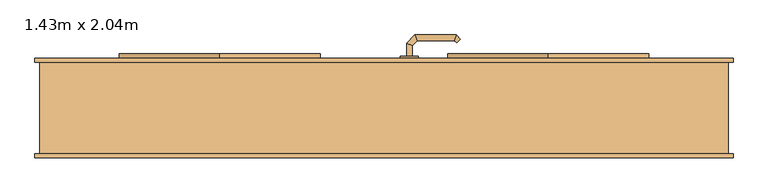
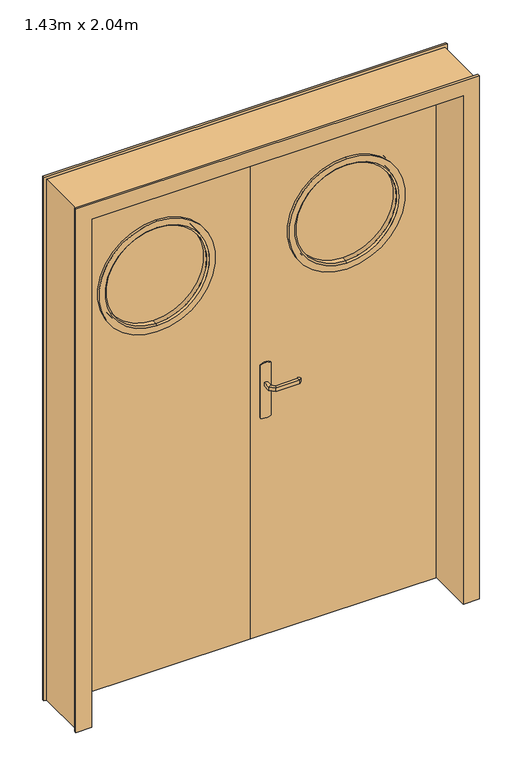
"""IFC4 building model written with IfcOpenShell, lengths in millimetres: door geometry, 1.43m x 2.04m."""

from ifc_helpers import new_model, si_unit, point, frame, frame_2d, origin, place, context, project, spatial, polyline, circle_curve, ellipse_curve, trimmed, segment, composite_curve, outline, extrude, faceted_brep, source, transform, mapped, element, save
from ifc_brep_helpers import plane_surface, cylinder_surface, revolved_surface, advanced_brep


def door_1_43m_x_2_04m_c482d7e8(model_context):
    return source(origin(), model_context, "Body", "SolidModel", [
        advanced_brep(
        [(61.0, 63.0, 993.0), (49.0, 63.0, 993.0), (49.0, 63.0, 1007.0), (61.0, 63.0, 1007.0), (61.0, 40.5147955, 1007.0), (61.0, 40.5147955, 993.0), (49.0, 35.5442327, 1007.0), (49.0, 35.5442327, 993.0), (72.4852814, 29.0295141, 1007.0), (72.4852814, 29.0295141, 993.0), (67.5147186, 17.0295141, 1007.0), (67.5147186, 17.0295141, 993.0), (152.5605023, 29.0295141, 1007.0), (152.5605023, 29.0295141, 993.0), (157.531065, 17.0295141, 1007.0), (157.531065, 17.0295141, 993.0), (157.8742108, 34.3432226, 993.0), (157.8742108, 34.3432226, 1007.0), (166.3594922, 25.8579412, 1007.0), (166.3594922, 25.8579412, 993.0)],
        [
            (0, 1, circle_curve(frame((55.0, 63.0, 1013.0457722), z_axis=(0.0, 1.0, 0.0), x_axis=(-1.0, 0.0, 0.0)), 20.9244589)),
            (1, 2),
            (2, 3, circle_curve(frame((55.0, 63.0, 986.9542278), z_axis=(0.0, 1.0, 0.0), x_axis=(-1.0, 0.0, 0.0)), 20.9244589)),
            (3, 0),
            (3, 4),
            (4, 5),
            (5, 0),
            (2, 6),
            (6, 4, ellipse_curve(frame((55.0, 38.0295141, 986.9542278), z_axis=(-0.38268343236510893, 0.9238795325112789, 0.0), x_axis=(0.9238795325112789, 0.3826834323651087, 0.0)), 22.6484711, 20.9244589)),
            (1, 7),
            (7, 6),
            (5, 7, ellipse_curve(frame((55.0, 38.0295141, 1013.0457722), z_axis=(-0.38268343236510893, 0.9238795325112789, 0.0), x_axis=(0.9238795325112789, 0.3826834323651087, 0.0)), 22.6484711, 20.9244589)),
            (4, 8),
            (8, 9),
            (9, 5),
            (6, 10),
            (10, 8, ellipse_curve(frame((70.0, 23.0295141, 986.9542278), z_axis=(-0.9238795325112946, 0.38268343236507063, 0.0), x_axis=(0.3826834323650701, 0.9238795325112948, 0.0)), 22.6484711, 20.9244589)),
            (7, 11),
            (11, 10),
            (9, 11, ellipse_curve(frame((70.0, 23.0295141, 1013.0457722), z_axis=(-0.9238795325112946, 0.38268343236507063, 0.0), x_axis=(0.3826834323650701, 0.9238795325112948, 0.0)), 22.6484711, 20.9244589)),
            (8, 12),
            (12, 13),
            (13, 9),
            (10, 14),
            (14, 12, ellipse_curve(frame((155.0457837, 23.0295141, 986.9542278), z_axis=(-0.9238795325113071, -0.38268343236504027, 0.0), x_axis=(-0.38268343236504115, 0.9238795325113068, 0.0)), 22.6484711, 20.9244589)),
            (11, 15),
            (15, 14),
            (13, 15, ellipse_curve(frame((155.0457837, 23.0295141, 1013.0457722), z_axis=(-0.9238795325113071, -0.38268343236504027, 0.0), x_axis=(-0.38268343236504115, 0.9238795325113068, 0.0)), 22.6484711, 20.9244589)),
            (16, 17),
            (17, 18, circle_curve(frame((162.1168515, 30.1005819, 986.9542278), z_axis=(0.7071067811866232, 0.7071067811864719, 0.0), x_axis=(0.7071067811864719, -0.7071067811866232, 0.0)), 20.9244589)),
            (18, 19),
            (19, 16, circle_curve(frame((162.1168515, 30.1005819, 1013.0457722), z_axis=(0.7071067811866232, 0.7071067811864719, 0.0), x_axis=(0.7071067811864719, -0.7071067811866232, 0.0)), 20.9244589)),
            (12, 17),
            (16, 13),
            (14, 18),
            (15, 19),
        ],
        [
            plane_surface(frame((45.7804555, 63.0, 1000.0), z_axis=(0.0, 1.0, 0.0), x_axis=(0.0, 0.0, 1.0))),
            plane_surface(frame((61.0, 63.0, 993.0), z_axis=(1.0, 0.0, 0.0), x_axis=(0.0, -1.0, 0.0))),
            cylinder_surface(frame((55.0, 63.0, 986.9542278), z_axis=(0.0, 1.0, 0.0), x_axis=(-1.0, 0.0, 0.0)), 20.9244589),
            plane_surface(frame((49.0, 63.0, 1007.0), z_axis=(-1.0, 0.0, 0.0), x_axis=(0.0, -1.0, 0.0))),
            cylinder_surface(frame((55.0, 63.0, 1013.0457722), z_axis=(0.0, 1.0, 0.0), x_axis=(-1.0, 0.0, 0.0)), 20.9244589),
            plane_surface(frame((61.0, 40.5147955, 993.0), z_axis=(0.7071067811865183, 0.7071067811865769, 0.0), x_axis=(0.7071067811865769, -0.7071067811865183, 0.0))),
            cylinder_surface(frame((55.0, 38.0295141, 986.9542278), z_axis=(-0.7071067811865768, 0.7071067811865183, 0.0), x_axis=(-0.7071067811865183, -0.7071067811865768, 0.0)), 20.9244589),
            plane_surface(frame((49.0, 35.5442327, 1007.0), z_axis=(-0.7071067811865185, -0.7071067811865767, 0.0), x_axis=(0.7071067811865767, -0.7071067811865185, 0.0))),
            cylinder_surface(frame((55.0, 38.0295141, 1013.0457722), z_axis=(-0.7071067811865768, 0.7071067811865183, 0.0), x_axis=(-0.7071067811865183, -0.7071067811865768, 0.0)), 20.9244589),
            plane_surface(frame((72.4852814, 29.0295141, 993.0), z_axis=(0.0, 1.0, 0.0), x_axis=(1.0, 0.0, 0.0))),
            cylinder_surface(frame((70.0, 23.0295141, 986.9542278), z_axis=(-1.0, 0.0, 0.0), x_axis=(0.0, -1.0, 0.0)), 20.9244589),
            plane_surface(frame((67.5147186, 17.0295141, 1007.0), z_axis=(0.0, -1.0, 0.0), x_axis=(1.0, 0.0, 0.0))),
            cylinder_surface(frame((70.0, 23.0295141, 1013.0457722), z_axis=(-1.0, 0.0, 0.0), x_axis=(0.0, -1.0, 0.0)), 20.9244589),
            plane_surface(frame((162.1168515, 30.1005819, 990.7804555), z_axis=(0.7071067811866233, 0.7071067811864719, 0.0), x_axis=(0.7071067811864719, -0.7071067811866233, 0.0))),
            plane_surface(frame((152.5605023, 29.0295141, 993.0), z_axis=(-0.707106781186471, 0.7071067811866241, 0.0), x_axis=(0.7071067811866241, 0.707106781186471, 0.0))),
            cylinder_surface(frame((155.0457837, 23.0295141, 986.9542278), z_axis=(-0.7071067811866232, -0.7071067811864719, 0.0), x_axis=(0.7071067811864719, -0.7071067811866232, 0.0)), 20.9244589),
            plane_surface(frame((157.531065, 17.0295141, 1007.0), z_axis=(0.7071067811864723, -0.7071067811866228, 0.0), x_axis=(0.7071067811866228, 0.7071067811864723, 0.0))),
            cylinder_surface(frame((155.0457837, 23.0295141, 1013.0457722), z_axis=(-0.7071067811866232, -0.7071067811864719, 0.0), x_axis=(0.7071067811864719, -0.7071067811866232, 0.0)), 20.9244589),
        ],
        [
            (0, [[1, 2, 3, 4]]),
            (1, [[5, 6, 7, -4]]),
            (2, [[8, 9, -5, -3]]),
            (3, [[10, 11, -8, -2]]),
            (4, [[-7, 12, -10, -1]]),
            (5, [[13, 14, 15, -6]]),
            (6, [[16, 17, -13, -9]]),
            (7, [[18, 19, -16, -11]]),
            (8, [[-15, 20, -18, -12]]),
            (9, [[21, 22, 23, -14]]),
            (10, [[24, 25, -21, -17]]),
            (11, [[26, 27, -24, -19]]),
            (12, [[-23, 28, -26, -20]]),
            (13, [[29, 30, 31, 32]]),
            (14, [[33, -29, 34, -22]]),
            (15, [[35, -30, -33, -25]]),
            (16, [[36, -31, -35, -27]]),
            (17, [[-34, -32, -36, -28]]),
        ],
    ),
        advanced_brep(
        [(49.0, 113.0, 1007.0), (49.0, 113.0, 993.0), (61.0, 113.0, 993.0), (61.0, 113.0, 1007.0), (61.0, 135.680388, 1007.0), (49.0, 140.6509507, 1007.0), (61.0, 135.680388, 993.0), (49.0, 140.6509507, 993.0), (72.3477727, 147.0281607, 1007.0), (67.37721, 159.0281607, 1007.0), (72.3477727, 147.0281607, 993.0), (67.37721, 159.0281607, 993.0), (152.5333592, 147.0281607, 1007.0), (157.503922, 159.0281607, 1007.0), (152.5333592, 147.0281607, 993.0), (157.503922, 159.0281607, 993.0), (166.3323491, 150.1997336, 1007.0), (157.8470677, 141.7144522, 1007.0), (157.8470677, 141.7144522, 993.0), (166.3323491, 150.1997336, 993.0)],
        [
            (0, 1),
            (1, 2, circle_curve(frame((55.0, 113.0, 1013.0457722), z_axis=(0.0, -1.0, 0.0), x_axis=(1.0, 0.0, 0.0)), 20.9244589)),
            (2, 3),
            (3, 0, circle_curve(frame((55.0, 113.0, 986.9542278), z_axis=(0.0, -1.0, 0.0), x_axis=(1.0, 0.0, 0.0)), 20.9244589)),
            (3, 4),
            (4, 5, ellipse_curve(frame((55.0, 138.1656693, 986.9542278), z_axis=(-0.3826834323651093, -0.9238795325112789, 0.0), x_axis=(0.9238795325112791, -0.38268343236510843, 0.0)), 22.6484711, 20.9244589)),
            (5, 0),
            (2, 6),
            (6, 4),
            (1, 7),
            (7, 6, ellipse_curve(frame((55.0, 138.1656693, 1013.0457722), z_axis=(-0.3826834323651093, -0.9238795325112789, 0.0), x_axis=(0.9238795325112791, -0.38268343236510843, 0.0)), 22.6484711, 20.9244589)),
            (5, 7),
            (4, 8),
            (8, 9, ellipse_curve(frame((69.8624914, 153.0281607, 986.9542278), z_axis=(-0.9238795325112947, -0.38268343236507024, 0.0), x_axis=(0.3826834323650698, -0.9238795325112951, 0.0)), 22.6484711, 20.9244589)),
            (9, 5),
            (6, 10),
            (10, 8),
            (7, 11),
            (11, 10, ellipse_curve(frame((69.8624914, 153.0281607, 1013.0457722), z_axis=(-0.9238795325112947, -0.38268343236507024, 0.0), x_axis=(0.3826834323650698, -0.9238795325112951, 0.0)), 22.6484711, 20.9244589)),
            (9, 11),
            (8, 12),
            (12, 13, ellipse_curve(frame((155.0186406, 153.0281607, 986.9542278), z_axis=(-0.9238795325112743, 0.3826834323651198, 0.0), x_axis=(-0.38268343236511987, -0.9238795325112744, 0.0)), 22.6484711, 20.9244589)),
            (13, 9),
            (10, 14),
            (14, 12),
            (11, 15),
            (15, 14, ellipse_curve(frame((155.0186406, 153.0281607, 1013.0457722), z_axis=(-0.9238795325112743, 0.3826834323651198, 0.0), x_axis=(-0.38268343236511987, -0.9238795325112744, 0.0)), 22.6484711, 20.9244589)),
            (13, 15),
            (16, 17, circle_curve(frame((162.0897084, 145.9570929, 986.9542278), z_axis=(0.7071067811865017, -0.7071067811865933, 0.0), x_axis=(-0.7071067811865933, -0.7071067811865017, 0.0)), 20.9244589)),
            (17, 18),
            (18, 19, circle_curve(frame((162.0897084, 145.9570929, 1013.0457722), z_axis=(0.7071067811865017, -0.7071067811865933, 0.0), x_axis=(-0.7071067811865933, -0.7071067811865017, 0.0)), 20.9244589)),
            (19, 16),
            (12, 17),
            (16, 13),
            (14, 18),
            (15, 19),
        ],
        [
            plane_surface(frame((45.7804555, 113.0, 1000.0), z_axis=(0.0, -1.0, 0.0), x_axis=(0.0, 0.0, -1.0))),
            cylinder_surface(frame((55.0, 113.0, 986.9542278), z_axis=(0.0, -1.0, 0.0), x_axis=(1.0, 0.0, 0.0)), 20.9244589),
            plane_surface(frame((61.0, 113.0, 1007.0), z_axis=(1.0, 0.0, 0.0), x_axis=(0.0, 1.0, 0.0))),
            cylinder_surface(frame((55.0, 113.0, 1013.0457722), z_axis=(0.0, -1.0, 0.0), x_axis=(1.0, 0.0, 0.0)), 20.9244589),
            plane_surface(frame((49.0, 113.0, 993.0), z_axis=(-1.0, 0.0, 0.0), x_axis=(0.0, 1.0, 0.0))),
            cylinder_surface(frame((55.0, 138.1656693, 986.9542278), z_axis=(-0.7071067811865772, -0.7071067811865177, 0.0), x_axis=(0.7071067811865177, -0.7071067811865772, 0.0)), 20.9244589),
            plane_surface(frame((61.0, 135.680388, 1007.0), z_axis=(0.7071067811865183, -0.7071067811865768, 0.0), x_axis=(0.7071067811865768, 0.7071067811865183, 0.0))),
            cylinder_surface(frame((55.0, 138.1656693, 1013.0457722), z_axis=(-0.7071067811865772, -0.7071067811865177, 0.0), x_axis=(0.7071067811865177, -0.7071067811865772, 0.0)), 20.9244589),
            plane_surface(frame((49.0, 140.6509507, 993.0), z_axis=(-0.707106781186518, 0.707106781186577, 0.0), x_axis=(0.707106781186577, 0.707106781186518, 0.0))),
            cylinder_surface(frame((69.8624914, 153.0281607, 986.9542278), z_axis=(-1.0, 0.0, 0.0), x_axis=(0.0, -1.0, 0.0)), 20.9244589),
            plane_surface(frame((72.3477727, 147.0281607, 1007.0), z_axis=(0.0, -1.0, 0.0), x_axis=(1.0, 0.0, 0.0))),
            cylinder_surface(frame((69.8624914, 153.0281607, 1013.0457722), z_axis=(-1.0, 0.0, 0.0), x_axis=(0.0, -1.0, 0.0)), 20.9244589),
            plane_surface(frame((67.37721, 159.0281607, 993.0), z_axis=(0.0, 1.0, 0.0), x_axis=(1.0, 0.0, 0.0))),
            plane_surface(frame((162.0897084, 145.9570929, 1009.2195445), z_axis=(0.7071067811865019, -0.7071067811865932, 0.0), x_axis=(0.7071067811865932, 0.7071067811865019, 0.0))),
            cylinder_surface(frame((155.0186406, 153.0281607, 986.9542278), z_axis=(-0.7071067811865017, 0.7071067811865933, 0.0), x_axis=(-0.7071067811865933, -0.7071067811865017, 0.0)), 20.9244589),
            plane_surface(frame((152.5333592, 147.0281607, 1007.0), z_axis=(-0.7071067811865936, -0.7071067811865014, 0.0), x_axis=(0.7071067811865014, -0.7071067811865936, 0.0))),
            cylinder_surface(frame((155.0186406, 153.0281607, 1013.0457722), z_axis=(-0.7071067811865017, 0.7071067811865933, 0.0), x_axis=(-0.7071067811865933, -0.7071067811865017, 0.0)), 20.9244589),
            plane_surface(frame((157.503922, 159.0281607, 993.0), z_axis=(0.707106781186593, 0.7071067811865022, 0.0), x_axis=(0.7071067811865022, -0.707106781186593, 0.0))),
        ],
        [
            (0, [[1, 2, 3, 4]]),
            (1, [[5, 6, 7, -4]]),
            (2, [[8, 9, -5, -3]]),
            (3, [[10, 11, -8, -2]]),
            (4, [[-7, 12, -10, -1]]),
            (5, [[13, 14, 15, -6]]),
            (6, [[16, 17, -13, -9]]),
            (7, [[18, 19, -16, -11]]),
            (8, [[-15, 20, -18, -12]]),
            (9, [[21, 22, 23, -14]]),
            (10, [[24, 25, -21, -17]]),
            (11, [[26, 27, -24, -19]]),
            (12, [[-23, 28, -26, -20]]),
            (13, [[29, 30, 31, 32]]),
            (14, [[33, -29, 34, -22]]),
            (15, [[35, -30, -33, -25]]),
            (16, [[36, -31, -35, -27]]),
            (17, [[-34, -32, -36, -28]]),
        ],
    ),
        extrude(outline(composite_curve([segment(trimmed(circle_curve(frame_2d((1045.3589838, 55.0)), 40.0), [point((1080.0, 75.0))], [point((1080.0, 35.0))], False, "CARTESIAN"), True, "CONTINUOUS"), segment(polyline([(1080.0, 35.0), (870.0, 35.0)]), True, "CONTINUOUS"), segment(trimmed(circle_curve(frame_2d((904.6410162, 55.0)), 40.0), [point((870.0, 35.0))], [point((870.0, 75.0))], False, "CARTESIAN"), True, "CONTINUOUS"), segment(polyline([(870.0, 75.0), (1080.0, 75.0)]), True, "CONTINUOUS")], self_intersect=False)), frame((0.0, 63.0, 0.0), z_axis=(0.0, 1.0, 0.0), x_axis=(0.0, 0.0, 1.0)), (0.0, 0.0, 1.0), 5.0),
        extrude(outline(composite_curve([segment(trimmed(circle_curve(frame_2d((904.6410162, 55.0)), 40.0), [point((870.0, 35.0))], [point((870.0, 75.0))], False, "CARTESIAN"), True, "CONTINUOUS"), segment(polyline([(870.0, 75.0), (1080.0, 75.0)]), True, "CONTINUOUS"), segment(trimmed(circle_curve(frame_2d((1045.3589838, 55.0)), 40.0), [point((1080.0, 75.0))], [point((1080.0, 35.0))], False, "CARTESIAN"), True, "CONTINUOUS"), segment(polyline([(1080.0, 35.0), (870.0, 35.0)]), True, "CONTINUOUS")], self_intersect=False)), frame((0.0, 108.0, 0.0), z_axis=(0.0, 1.0, 0.0), x_axis=(0.0, 0.0, 1.0)), (0.0, 0.0, 1.0), 5.0),
        faceted_brep([(-750.0, 100.0, 0.0), (-760.0, 100.0, 0.0), (-760.0, 108.0, 0.0), (-715.0, 108.0, 0.0), (-715.0, 68.0, 0.0), (-700.0, 68.0, 0.0), (-700.0, -108.0, 0.0), (-760.0, -108.0, 0.0), (-760.0, -100.0, 0.0), (-750.0, -100.0, 0.0), (-750.0, -100.0, 2075.0), (-750.0, 100.0, 2075.0), (-760.0, -100.0, 2085.0), (760.0, -100.0, 2085.0), (760.0, -100.0, 0.0), (750.0, -100.0, 0.0), (750.0, -100.0, 2075.0), (-760.0, -108.0, 2085.0), (-700.0, -108.0, 2025.0), (700.0, -108.0, 2025.0), (700.0, -108.0, 0.0), (760.0, -108.0, 0.0), (760.0, -108.0, 2085.0), (-700.0, 68.0, 2025.0), (-715.0, 68.0, 2040.0), (715.0, 68.0, 2040.0), (715.0, 68.0, 0.0), (700.0, 68.0, 0.0), (700.0, 68.0, 2025.0), (-715.0, 108.0, 2040.0), (-760.0, 108.0, 2085.0), (760.0, 108.0, 2085.0), (760.0, 108.0, 0.0), (715.0, 108.0, 0.0), (715.0, 108.0, 2040.0), (-760.0, 100.0, 2085.0), (750.0, 100.0, 2075.0), (750.0, 100.0, 0.0), (760.0, 100.0, 0.0), (760.0, 100.0, 2085.0)], [[[0, 1, 2, 3, 4, 5, 6, 7, 8, 9]], [[9, 10, 11, 0]], [[8, 12, 13, 14, 15, 16, 10, 9]], [[7, 17, 12, 8]], [[6, 18, 19, 20, 21, 22, 17, 7]], [[5, 23, 18, 6]], [[4, 24, 25, 26, 27, 28, 23, 5]], [[3, 29, 24, 4]], [[2, 30, 31, 32, 33, 34, 29, 3]], [[1, 35, 30, 2]], [[0, 11, 36, 37, 38, 39, 35, 1]], [[16, 15, 37, 36]], [[37, 15, 14, 21, 20, 27, 26, 33, 32, 38]], [[22, 21, 14, 13]], [[28, 27, 20, 19]], [[34, 33, 26, 25]], [[39, 38, 32, 31]], [[10, 16, 36, 11]], [[17, 22, 13, 12]], [[23, 28, 19, 18]], [[29, 34, 25, 24]], [[35, 39, 31, 30]]]),
        extrude(outline(composite_curve([segment(trimmed(circle_curve(frame_2d((1575.0, 357.5)), 200.0), [point((1775.0, 357.5))], [point((1375.0, 357.5))], False, "CARTESIAN"), True, "CONTINUOUS"), segment(trimmed(circle_curve(frame_2d((1575.0, 357.5)), 200.0), [point((1375.0, 357.5))], [point((1775.0, 357.5))], False, "CARTESIAN"), True, "CONTINUOUS")], self_intersect=False)), frame((0.0, 83.0, 0.0), z_axis=(0.0, 1.0, 0.0), x_axis=(0.0, 0.0, 1.0)), (0.0, 0.0, 1.0), 10.0),
        extrude(outline(composite_curve([segment(trimmed(circle_curve(frame_2d((1575.0, -357.5)), 200.0), [point((1375.0, -357.5))], [point((1775.0, -357.5))], False, "CARTESIAN"), True, "CONTINUOUS"), segment(trimmed(circle_curve(frame_2d((1575.0, -357.5)), 200.0), [point((1775.0, -357.5))], [point((1375.0, -357.5))], False, "CARTESIAN"), True, "CONTINUOUS")], self_intersect=False)), frame((0.0, 83.0, 0.0), z_axis=(0.0, 1.0, 0.0), x_axis=(0.0, 0.0, 1.0)), (0.0, 0.0, 1.0), 10.0),
        extrude(outline(polyline([(0.0, 715.0), (2040.0, 715.0), (2040.0, 0.0), (0.0, 0.0), (0.0, 715.0)]), holes=[composite_curve([segment(trimmed(circle_curve(frame_2d((1575.0, 357.5)), 200.0), [point((1375.0, 357.5))], [point((1775.0, 357.5))], True, "CARTESIAN"), True, "CONTINUOUS"), segment(trimmed(circle_curve(frame_2d((1575.0, 357.5)), 200.0), [point((1775.0, 357.5))], [point((1375.0, 357.5))], True, "CARTESIAN"), True, "CONTINUOUS")], self_intersect=False)]), frame((0.0, 68.0, 0.0), z_axis=(0.0, 1.0, 0.0), x_axis=(0.0, 0.0, 1.0)), (0.0, 0.0, 1.0), 40.0),
        extrude(outline(polyline([(2040.0, -715.0), (0.0, -715.0), (0.0, 0.0), (2040.0, 0.0), (2040.0, -715.0)]), holes=[composite_curve([segment(trimmed(circle_curve(frame_2d((1575.0, -357.5)), 200.0), [point((1375.0, -357.5))], [point((1775.0, -357.5))], True, "CARTESIAN"), True, "CONTINUOUS"), segment(trimmed(circle_curve(frame_2d((1575.0, -357.5)), 200.0), [point((1775.0, -357.5))], [point((1375.0, -357.5))], True, "CARTESIAN"), True, "CONTINUOUS")], self_intersect=False)]), frame((0.0, 68.0, 0.0), z_axis=(0.0, 1.0, 0.0), x_axis=(0.0, 0.0, 1.0)), (0.0, 0.0, 1.0), 40.0),
        advanced_brep(
        [(357.5, 68.0, 1795.0), (357.5, 58.0, 1795.0), (357.5, 58.0, 1355.0), (357.5, 68.0, 1355.0), (357.5, 83.0, 1775.0), (357.5, 68.0, 1775.0), (357.5, 68.0, 1375.0), (357.5, 83.0, 1375.0), (357.5, 63.8578644, 1765.0), (357.5, 83.0, 1765.0), (357.5, 83.0, 1385.0), (357.5, 63.8578644, 1385.0), (357.5, 58.0, 1770.8578644), (357.5, 58.0, 1379.1421356)],
        [
            (0, 1),
            (1, 2, circle_curve(frame((357.5, 58.0, 1575.0), z_axis=(0.0, 1.0, 0.0), x_axis=(0.0, 0.0, -1.0)), 220.0)),
            (2, 3),
            (3, 0, circle_curve(frame((357.5, 68.0, 1575.0), z_axis=(0.0, -1.0, 0.0), x_axis=(0.0, 0.0, -1.0)), 220.0)),
            (4, 5),
            (5, 6, circle_curve(frame((357.5, 68.0, 1575.0), z_axis=(0.0, 1.0, 0.0), x_axis=(0.0, 0.0, -1.0)), 200.0)),
            (6, 7),
            (7, 4, circle_curve(frame((357.5, 83.0, 1575.0), z_axis=(0.0, -1.0, 0.0), x_axis=(0.0, 0.0, -1.0)), 200.0)),
            (8, 9),
            (9, 10, circle_curve(frame((357.5, 83.0, 1575.0), z_axis=(0.0, 1.0, 0.0), x_axis=(0.0, 0.0, -1.0)), 190.0)),
            (10, 11),
            (11, 8, circle_curve(frame((357.5, 63.8578644, 1575.0), z_axis=(0.0, -1.0, 0.0), x_axis=(0.0, 0.0, -1.0)), 190.0)),
            (12, 8),
            (11, 13),
            (13, 12, circle_curve(frame((357.5, 58.0, 1575.0), z_axis=(0.0, -1.0, 0.0), x_axis=(0.0, 0.0, -1.0)), 195.8578644)),
            (2, 1, circle_curve(frame((357.5, 58.0, 1575.0), z_axis=(0.0, 1.0, 0.0), x_axis=(0.0, 0.0, 1.0)), 220.0)),
            (0, 3, circle_curve(frame((357.5, 68.0, 1575.0), z_axis=(0.0, -1.0, 0.0), x_axis=(0.0, 0.0, 1.0)), 220.0)),
            (5, 6, circle_curve(frame((357.5, 68.0, 1575.0), z_axis=(0.0, -1.0, 0.0), x_axis=(0.0, 0.0, 1.0)), 200.0)),
            (4, 7, circle_curve(frame((357.5, 83.0, 1575.0), z_axis=(0.0, -1.0, 0.0), x_axis=(0.0, 0.0, 1.0)), 200.0)),
            (9, 10, circle_curve(frame((357.5, 83.0, 1575.0), z_axis=(0.0, -1.0, 0.0), x_axis=(0.0, 0.0, 1.0)), 190.0)),
            (8, 11, circle_curve(frame((357.5, 63.8578644, 1575.0), z_axis=(0.0, -1.0, 0.0), x_axis=(0.0, 0.0, 1.0)), 190.0)),
            (12, 13, circle_curve(frame((357.5, 58.0, 1575.0), z_axis=(0.0, -1.0, 0.0), x_axis=(0.0, 0.0, 1.0)), 195.8578644)),
        ],
        [
            cylinder_surface(frame((357.5, 108.0, 1575.0), z_axis=(0.0, 1.0, 0.0), x_axis=(0.0, 0.0, -1.0)), 220.0),
            cylinder_surface(frame((357.5, 108.0, 1575.0), z_axis=(0.0, 1.0, 0.0), x_axis=(0.0, 0.0, -1.0)), 200.0),
            revolved_surface(polyline([(357.5, 83.0, 1385.0), (357.5, 63.8578644, 1385.0)]), (357.5, 108.0, 1575.0), (0.0, 1.0, 0.0)),
            revolved_surface(polyline([(357.5, 63.8578644, 1385.0), (357.5, 58.0, 1379.1421356)]), (357.5, 108.0, 1575.0), (0.0, 1.0, 0.0)),
            cylinder_surface(frame((357.5, 108.0, 1575.0), z_axis=(0.0, 1.0, 0.0), x_axis=(0.0, 0.0, 1.0)), 220.0),
            plane_surface(frame((357.5, 68.0, 1575.0), z_axis=(0.0, 1.0, 0.0), x_axis=(0.0, 0.0, 1.0))),
            cylinder_surface(frame((357.5, 108.0, 1575.0), z_axis=(0.0, 1.0, 0.0), x_axis=(0.0, 0.0, 1.0)), 200.0),
            plane_surface(frame((357.5, 83.0, 1575.0), z_axis=(0.0, 1.0, 0.0), x_axis=(0.0, 0.0, 1.0))),
            revolved_surface(polyline([(357.5, 83.0, 1765.0), (357.5, 63.8578644, 1765.0)]), (357.5, 108.0, 1575.0), (0.0, 1.0, 0.0)),
            revolved_surface(polyline([(357.5, 63.8578644, 1765.0), (357.5, 58.0, 1770.8578644)]), (357.5, 108.0, 1575.0), (0.0, 1.0, 0.0)),
            plane_surface(frame((357.5, 58.0, 1575.0), z_axis=(0.0, -1.0, 0.0), x_axis=(0.0, 0.0, 1.0))),
        ],
        [
            (0, [[1, 2, 3, 4]]),
            (1, [[5, 6, 7, 8]]),
            (2, [[9, 10, 11, 12]]),
            (3, [[13, -12, 14, 15]]),
            (4, [[-3, 16, -1, 17]]),
            (5, [[-4, -17], [-6, 18]]),
            (6, [[-7, -18, -5, 19]]),
            (7, [[-8, -19], [-10, 20]]),
            (8, [[-11, -20, -9, 21]]),
            (9, [[-14, -21, -13, 22]]),
            (10, [[-2, -16], [-15, -22]]),
        ],
    ),
        advanced_brep(
        [(357.5, 112.1421356, 1765.0), (357.5, 118.0, 1770.8578644), (357.5, 118.0, 1379.1421356), (357.5, 112.1421356, 1385.0), (357.5, 93.0, 1765.0), (357.5, 93.0, 1385.0), (357.5, 108.0, 1775.0), (357.5, 93.0, 1775.0), (357.5, 93.0, 1375.0), (357.5, 108.0, 1375.0), (357.5, 118.0, 1795.0), (357.5, 108.0, 1795.0), (357.5, 108.0, 1355.0), (357.5, 118.0, 1355.0)],
        [
            (0, 1),
            (1, 2, circle_curve(frame((357.5, 118.0, 1575.0), z_axis=(0.0, 1.0, 0.0), x_axis=(0.0, 0.0, -1.0)), 195.8578644)),
            (2, 3),
            (3, 0, circle_curve(frame((357.5, 112.1421356, 1575.0), z_axis=(0.0, -1.0, 0.0), x_axis=(0.0, 0.0, -1.0)), 190.0)),
            (4, 0),
            (3, 5),
            (5, 4, circle_curve(frame((357.5, 93.0, 1575.0), z_axis=(0.0, -1.0, 0.0), x_axis=(0.0, 0.0, -1.0)), 190.0)),
            (6, 7),
            (7, 8, circle_curve(frame((357.5, 93.0, 1575.0), z_axis=(0.0, 1.0, 0.0), x_axis=(0.0, 0.0, -1.0)), 200.0)),
            (8, 9),
            (9, 6, circle_curve(frame((357.5, 108.0, 1575.0), z_axis=(0.0, -1.0, 0.0), x_axis=(0.0, 0.0, -1.0)), 200.0)),
            (10, 11),
            (11, 12, circle_curve(frame((357.5, 108.0, 1575.0), z_axis=(0.0, 1.0, 0.0), x_axis=(0.0, 0.0, -1.0)), 220.0)),
            (12, 13),
            (13, 10, circle_curve(frame((357.5, 118.0, 1575.0), z_axis=(0.0, -1.0, 0.0), x_axis=(0.0, 0.0, -1.0)), 220.0)),
            (13, 10, circle_curve(frame((357.5, 118.0, 1575.0), z_axis=(0.0, 1.0, 0.0), x_axis=(0.0, 0.0, 1.0)), 220.0)),
            (1, 2, circle_curve(frame((357.5, 118.0, 1575.0), z_axis=(0.0, -1.0, 0.0), x_axis=(0.0, 0.0, 1.0)), 195.8578644)),
            (0, 3, circle_curve(frame((357.5, 112.1421356, 1575.0), z_axis=(0.0, -1.0, 0.0), x_axis=(0.0, 0.0, 1.0)), 190.0)),
            (4, 5, circle_curve(frame((357.5, 93.0, 1575.0), z_axis=(0.0, -1.0, 0.0), x_axis=(0.0, 0.0, 1.0)), 190.0)),
            (7, 8, circle_curve(frame((357.5, 93.0, 1575.0), z_axis=(0.0, -1.0, 0.0), x_axis=(0.0, 0.0, 1.0)), 200.0)),
            (6, 9, circle_curve(frame((357.5, 108.0, 1575.0), z_axis=(0.0, -1.0, 0.0), x_axis=(0.0, 0.0, 1.0)), 200.0)),
            (11, 12, circle_curve(frame((357.5, 108.0, 1575.0), z_axis=(0.0, -1.0, 0.0), x_axis=(0.0, 0.0, 1.0)), 220.0)),
        ],
        [
            revolved_surface(polyline([(357.5, 118.0, 1379.1421356), (357.5, 112.1421356, 1385.0)]), (357.5, 108.0, 1575.0), (0.0, 1.0, 0.0)),
            revolved_surface(polyline([(357.5, 112.1421356, 1385.0), (357.5, 93.0, 1385.0)]), (357.5, 108.0, 1575.0), (0.0, 1.0, 0.0)),
            cylinder_surface(frame((357.5, 108.0, 1575.0), z_axis=(0.0, 1.0, 0.0), x_axis=(0.0, 0.0, -1.0)), 200.0),
            cylinder_surface(frame((357.5, 108.0, 1575.0), z_axis=(0.0, 1.0, 0.0), x_axis=(0.0, 0.0, -1.0)), 220.0),
            plane_surface(frame((357.5, 118.0, 1575.0), z_axis=(0.0, 1.0, 0.0), x_axis=(0.0, 0.0, 1.0))),
            revolved_surface(polyline([(357.5, 118.0, 1770.8578644), (357.5, 112.1421356, 1765.0)]), (357.5, 108.0, 1575.0), (0.0, 1.0, 0.0)),
            revolved_surface(polyline([(357.5, 112.1421356, 1765.0), (357.5, 93.0, 1765.0)]), (357.5, 108.0, 1575.0), (0.0, 1.0, 0.0)),
            plane_surface(frame((357.5, 93.0, 1575.0), z_axis=(0.0, -1.0, 0.0), x_axis=(0.0, 0.0, 1.0))),
            cylinder_surface(frame((357.5, 108.0, 1575.0), z_axis=(0.0, 1.0, 0.0), x_axis=(0.0, 0.0, 1.0)), 200.0),
            plane_surface(frame((357.5, 108.0, 1575.0), z_axis=(0.0, -1.0, 0.0), x_axis=(0.0, 0.0, 1.0))),
            cylinder_surface(frame((357.5, 108.0, 1575.0), z_axis=(0.0, 1.0, 0.0), x_axis=(0.0, 0.0, 1.0)), 220.0),
        ],
        [
            (0, [[1, 2, 3, 4]]),
            (1, [[5, -4, 6, 7]]),
            (2, [[8, 9, 10, 11]]),
            (3, [[12, 13, 14, 15]]),
            (4, [[-15, 16], [-2, 17]]),
            (5, [[-3, -17, -1, 18]]),
            (6, [[-6, -18, -5, 19]]),
            (7, [[-9, 20], [-7, -19]]),
            (8, [[-10, -20, -8, 21]]),
            (9, [[-13, 22], [-11, -21]]),
            (10, [[-14, -22, -12, -16]]),
        ],
    ),
        advanced_brep(
        [(-357.5, 118.0, 1795.0), (-357.5, 108.0, 1795.0), (-357.5, 108.0, 1355.0), (-357.5, 118.0, 1355.0), (-357.5, 112.1421356, 1765.0), (-357.5, 118.0, 1770.8578644), (-357.5, 118.0, 1379.1421356), (-357.5, 112.1421356, 1385.0), (-357.5, 93.0, 1765.0), (-357.5, 93.0, 1385.0), (-357.5, 108.0, 1775.0), (-357.5, 93.0, 1775.0), (-357.5, 93.0, 1375.0), (-357.5, 108.0, 1375.0)],
        [
            (0, 1),
            (1, 2, circle_curve(frame((-357.5, 108.0, 1575.0), z_axis=(0.0, 1.0, 0.0), x_axis=(0.0, 0.0, -1.0)), 220.0)),
            (2, 3),
            (3, 0, circle_curve(frame((-357.5, 118.0, 1575.0), z_axis=(0.0, -1.0, 0.0), x_axis=(0.0, 0.0, -1.0)), 220.0)),
            (4, 5),
            (5, 6, circle_curve(frame((-357.5, 118.0, 1575.0), z_axis=(0.0, 1.0, 0.0), x_axis=(0.0, 0.0, -1.0)), 195.8578644)),
            (6, 7),
            (7, 4, circle_curve(frame((-357.5, 112.1421356, 1575.0), z_axis=(0.0, -1.0, 0.0), x_axis=(0.0, 0.0, -1.0)), 190.0)),
            (8, 4),
            (7, 9),
            (9, 8, circle_curve(frame((-357.5, 93.0, 1575.0), z_axis=(0.0, -1.0, 0.0), x_axis=(0.0, 0.0, -1.0)), 190.0)),
            (10, 11),
            (11, 12, circle_curve(frame((-357.5, 93.0, 1575.0), z_axis=(0.0, 1.0, 0.0), x_axis=(0.0, 0.0, -1.0)), 200.0)),
            (12, 13),
            (13, 10, circle_curve(frame((-357.5, 108.0, 1575.0), z_axis=(0.0, -1.0, 0.0), x_axis=(0.0, 0.0, -1.0)), 200.0)),
            (1, 2, circle_curve(frame((-357.5, 108.0, 1575.0), z_axis=(0.0, -1.0, 0.0), x_axis=(0.0, 0.0, 1.0)), 220.0)),
            (13, 10, circle_curve(frame((-357.5, 108.0, 1575.0), z_axis=(0.0, 1.0, 0.0), x_axis=(0.0, 0.0, 1.0)), 200.0)),
            (0, 3, circle_curve(frame((-357.5, 118.0, 1575.0), z_axis=(0.0, -1.0, 0.0), x_axis=(0.0, 0.0, 1.0)), 220.0)),
            (5, 6, circle_curve(frame((-357.5, 118.0, 1575.0), z_axis=(0.0, -1.0, 0.0), x_axis=(0.0, 0.0, 1.0)), 195.8578644)),
            (4, 7, circle_curve(frame((-357.5, 112.1421356, 1575.0), z_axis=(0.0, -1.0, 0.0), x_axis=(0.0, 0.0, 1.0)), 190.0)),
            (8, 9, circle_curve(frame((-357.5, 93.0, 1575.0), z_axis=(0.0, -1.0, 0.0), x_axis=(0.0, 0.0, 1.0)), 190.0)),
            (11, 12, circle_curve(frame((-357.5, 93.0, 1575.0), z_axis=(0.0, -1.0, 0.0), x_axis=(0.0, 0.0, 1.0)), 200.0)),
        ],
        [
            cylinder_surface(frame((-357.5, 108.0, 1575.0), z_axis=(0.0, 1.0, 0.0), x_axis=(0.0, 0.0, -1.0)), 220.0),
            revolved_surface(polyline([(-357.5, 118.0, 1379.1421356), (-357.5, 112.1421356, 1385.0)]), (-357.5, 108.0, 1575.0), (0.0, 1.0, 0.0)),
            revolved_surface(polyline([(-357.5, 112.1421356, 1385.0), (-357.5, 93.0, 1385.0)]), (-357.5, 108.0, 1575.0), (0.0, 1.0, 0.0)),
            cylinder_surface(frame((-357.5, 108.0, 1575.0), z_axis=(0.0, 1.0, 0.0), x_axis=(0.0, 0.0, -1.0)), 200.0),
            plane_surface(frame((-357.5, 108.0, 1575.0), z_axis=(0.0, -1.0, 0.0), x_axis=(0.0, 0.0, 1.0))),
            cylinder_surface(frame((-357.5, 108.0, 1575.0), z_axis=(0.0, 1.0, 0.0), x_axis=(0.0, 0.0, 1.0)), 220.0),
            plane_surface(frame((-357.5, 118.0, 1575.0), z_axis=(0.0, 1.0, 0.0), x_axis=(0.0, 0.0, 1.0))),
            revolved_surface(polyline([(-357.5, 118.0, 1770.8578644), (-357.5, 112.1421356, 1765.0)]), (-357.5, 108.0, 1575.0), (0.0, 1.0, 0.0)),
            revolved_surface(polyline([(-357.5, 112.1421356, 1765.0), (-357.5, 93.0, 1765.0)]), (-357.5, 108.0, 1575.0), (0.0, 1.0, 0.0)),
            plane_surface(frame((-357.5, 93.0, 1575.0), z_axis=(0.0, -1.0, 0.0), x_axis=(0.0, 0.0, 1.0))),
            cylinder_surface(frame((-357.5, 108.0, 1575.0), z_axis=(0.0, 1.0, 0.0), x_axis=(0.0, 0.0, 1.0)), 200.0),
        ],
        [
            (0, [[1, 2, 3, 4]]),
            (1, [[5, 6, 7, 8]]),
            (2, [[9, -8, 10, 11]]),
            (3, [[12, 13, 14, 15]]),
            (4, [[-2, 16], [-15, 17]]),
            (5, [[-3, -16, -1, 18]]),
            (6, [[-4, -18], [-6, 19]]),
            (7, [[-7, -19, -5, 20]]),
            (8, [[-10, -20, -9, 21]]),
            (9, [[-13, 22], [-11, -21]]),
            (10, [[-14, -22, -12, -17]]),
        ],
    ),
        advanced_brep(
        [(-357.5, 83.0, 1775.0), (-357.5, 68.0, 1775.0), (-357.5, 68.0, 1375.0), (-357.5, 83.0, 1375.0), (-357.5, 63.8578644, 1765.0), (-357.5, 83.0, 1765.0), (-357.5, 83.0, 1385.0), (-357.5, 63.8578644, 1385.0), (-357.5, 58.0, 1770.8578644), (-357.5, 58.0, 1379.1421356), (-357.5, 68.0, 1795.0), (-357.5, 58.0, 1795.0), (-357.5, 58.0, 1355.0), (-357.5, 68.0, 1355.0)],
        [
            (0, 1),
            (1, 2, circle_curve(frame((-357.5, 68.0, 1575.0), z_axis=(0.0, 1.0, 0.0), x_axis=(0.0, 0.0, -1.0)), 200.0)),
            (2, 3),
            (3, 0, circle_curve(frame((-357.5, 83.0, 1575.0), z_axis=(0.0, -1.0, 0.0), x_axis=(0.0, 0.0, -1.0)), 200.0)),
            (4, 5),
            (5, 6, circle_curve(frame((-357.5, 83.0, 1575.0), z_axis=(0.0, 1.0, 0.0), x_axis=(0.0, 0.0, -1.0)), 190.0)),
            (6, 7),
            (7, 4, circle_curve(frame((-357.5, 63.8578644, 1575.0), z_axis=(0.0, -1.0, 0.0), x_axis=(0.0, 0.0, -1.0)), 190.0)),
            (8, 4),
            (7, 9),
            (9, 8, circle_curve(frame((-357.5, 58.0, 1575.0), z_axis=(0.0, -1.0, 0.0), x_axis=(0.0, 0.0, -1.0)), 195.8578644)),
            (10, 11),
            (11, 12, circle_curve(frame((-357.5, 58.0, 1575.0), z_axis=(0.0, 1.0, 0.0), x_axis=(0.0, 0.0, -1.0)), 220.0)),
            (12, 13),
            (13, 10, circle_curve(frame((-357.5, 68.0, 1575.0), z_axis=(0.0, -1.0, 0.0), x_axis=(0.0, 0.0, -1.0)), 220.0)),
            (2, 1, circle_curve(frame((-357.5, 68.0, 1575.0), z_axis=(0.0, 1.0, 0.0), x_axis=(0.0, 0.0, 1.0)), 200.0)),
            (0, 3, circle_curve(frame((-357.5, 83.0, 1575.0), z_axis=(0.0, -1.0, 0.0), x_axis=(0.0, 0.0, 1.0)), 200.0)),
            (5, 6, circle_curve(frame((-357.5, 83.0, 1575.0), z_axis=(0.0, -1.0, 0.0), x_axis=(0.0, 0.0, 1.0)), 190.0)),
            (4, 7, circle_curve(frame((-357.5, 63.8578644, 1575.0), z_axis=(0.0, -1.0, 0.0), x_axis=(0.0, 0.0, 1.0)), 190.0)),
            (8, 9, circle_curve(frame((-357.5, 58.0, 1575.0), z_axis=(0.0, -1.0, 0.0), x_axis=(0.0, 0.0, 1.0)), 195.8578644)),
            (11, 12, circle_curve(frame((-357.5, 58.0, 1575.0), z_axis=(0.0, -1.0, 0.0), x_axis=(0.0, 0.0, 1.0)), 220.0)),
            (10, 13, circle_curve(frame((-357.5, 68.0, 1575.0), z_axis=(0.0, -1.0, 0.0), x_axis=(0.0, 0.0, 1.0)), 220.0)),
        ],
        [
            cylinder_surface(frame((-357.5, 108.0, 1575.0), z_axis=(0.0, 1.0, 0.0), x_axis=(0.0, 0.0, -1.0)), 200.0),
            revolved_surface(polyline([(-357.5, 83.0, 1385.0), (-357.5, 63.8578644, 1385.0)]), (-357.5, 108.0, 1575.0), (0.0, 1.0, 0.0)),
            revolved_surface(polyline([(-357.5, 63.8578644, 1385.0), (-357.5, 58.0, 1379.1421356)]), (-357.5, 108.0, 1575.0), (0.0, 1.0, 0.0)),
            cylinder_surface(frame((-357.5, 108.0, 1575.0), z_axis=(0.0, 1.0, 0.0), x_axis=(0.0, 0.0, -1.0)), 220.0),
            cylinder_surface(frame((-357.5, 108.0, 1575.0), z_axis=(0.0, 1.0, 0.0), x_axis=(0.0, 0.0, 1.0)), 200.0),
            plane_surface(frame((-357.5, 83.0, 1575.0), z_axis=(0.0, 1.0, 0.0), x_axis=(0.0, 0.0, 1.0))),
            revolved_surface(polyline([(-357.5, 83.0, 1765.0), (-357.5, 63.8578644, 1765.0)]), (-357.5, 108.0, 1575.0), (0.0, 1.0, 0.0)),
            revolved_surface(polyline([(-357.5, 63.8578644, 1765.0), (-357.5, 58.0, 1770.8578644)]), (-357.5, 108.0, 1575.0), (0.0, 1.0, 0.0)),
            plane_surface(frame((-357.5, 58.0, 1575.0), z_axis=(0.0, -1.0, 0.0), x_axis=(0.0, 0.0, 1.0))),
            cylinder_surface(frame((-357.5, 108.0, 1575.0), z_axis=(0.0, 1.0, 0.0), x_axis=(0.0, 0.0, 1.0)), 220.0),
            plane_surface(frame((-357.5, 68.0, 1575.0), z_axis=(0.0, 1.0, 0.0), x_axis=(0.0, 0.0, 1.0))),
        ],
        [
            (0, [[1, 2, 3, 4]]),
            (1, [[5, 6, 7, 8]]),
            (2, [[9, -8, 10, 11]]),
            (3, [[12, 13, 14, 15]]),
            (4, [[-3, 16, -1, 17]]),
            (5, [[-4, -17], [-6, 18]]),
            (6, [[-7, -18, -5, 19]]),
            (7, [[-10, -19, -9, 20]]),
            (8, [[-13, 21], [-11, -20]]),
            (9, [[-14, -21, -12, 22]]),
            (10, [[-15, -22], [-2, -16]]),
        ],
    ),
    ])


if __name__ == "__main__":
    model = new_model("IFC4")
    model_context = context("Model", 3, world=origin())
    ifc_project = project(units=[si_unit("LENGTHUNIT", "METRE", prefix="MILLI")], contexts=[model_context])
    site = spatial("IfcSite", under=ifc_project)
    building = spatial("IfcBuilding", under=site)
    placement = place(None, origin())
    door_1_43m_x_2_04m_shape = door_1_43m_x_2_04m_c482d7e8(model_context)
    element("IfcDoor", 1, ObjectType="1.43m x 2.04m", at=placement, inside=building, context=model_context, shape_type="MappedRepresentation", body=[
        mapped(door_1_43m_x_2_04m_shape, transform((0.0, 0.0, 0.0), x_axis=(1.0, 0.0, 0.0), y_axis=(0.0, 1.0, 0.0), z_axis=(0.0, 0.0, 1.0))),
    ])
    save(model, "model.ifc")
